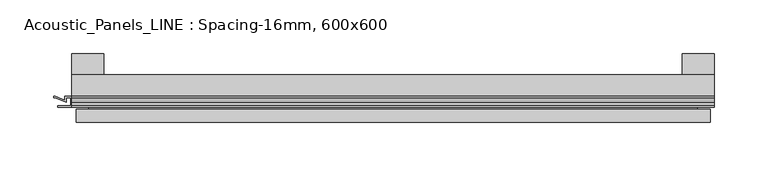
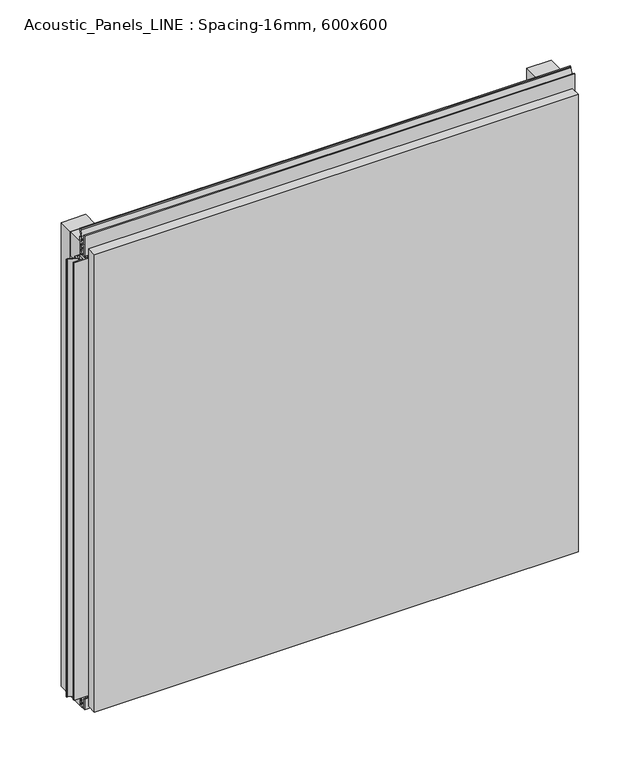
"""IFC4 building model written with IfcOpenShell, lengths in millimetres: plate geometry, Acoustic_Panels_LINE : Spacing-16mm, 600x600."""

from ifc_helpers import new_model, si_unit, frame, origin, origin_with_axes, place, context, project, spatial, polyline, outline, extrude, faceted_brep, source, transform, mapped, element, save


def acoustic_panels_line_spacing_16mm_600x600_7f3c8e2c(model_context):
    return source(origin(), model_context, "Body", "SolidModel", [
        extrude(outline(polyline([(-300.0, -40.0), (-300.0, -20.0), (300.0, -20.0), (300.0, -40.0), (-300.0, -40.0)])), frame((0.0, 0.0, 570.0), z_axis=(0.0, 0.0, 1.0), x_axis=(1.0, 0.0, 0.0)), (0.0, 0.0, 1.0), 30.0),
        extrude(outline(polyline([(-300.0, -40.0), (-300.0, -20.0), (300.0, -20.0), (300.0, -40.0), (-300.0, -40.0)])), origin_with_axes(), (0.0, 0.0, 1.0), 30.0),
        extrude(outline(polyline([(270.0, 0.0), (300.0, 0.0), (300.0, -20.0), (270.0, -20.0), (270.0, 0.0)])), origin_with_axes(), (0.0, 0.0, 1.0), 600.0),
        extrude(outline(polyline([(-270.0, 0.0), (-270.0, -20.0), (-300.0, -20.0), (-300.0, 0.0), (-270.0, 0.0)])), origin_with_axes(), (0.0, 0.0, 1.0), 600.0),
        extrude(outline(polyline([(-40.0, 6.299084), (-40.0, 0.0), (-50.1, 0.0), (-50.1, 13.4156807), (-48.7, 13.4156807), (-48.7, 1.4156807), (-41.4, 1.4156807), (-41.4, 4.899084), (-45.5140545, 4.899084), (-41.4553267, 15.5703394), (-41.4553267, 22.991548), (-40.0553267, 22.991548), (-40.0553267, 15.3558599), (-43.5, 6.299084), (-40.0, 6.299084)])), frame((-300.0, 0.0, 0.0), z_axis=(1.0, 0.0, 0.0), x_axis=(0.0, 1.0, 0.0)), (0.0, 0.0, 1.0), 600.0),
        extrude(outline(polyline([(293.700916, -40.0), (300.0, -40.0), (300.0, -50.1), (286.5843193, -50.1), (286.5843193, -48.7), (298.5843193, -48.7), (298.5843193, -41.4), (295.100916, -41.4), (295.100916, -45.5140545), (284.4296606, -41.4553267), (277.008452, -41.4553267), (277.008452, -40.0553267), (284.6441401, -40.0553267), (293.700916, -43.5), (293.700916, -40.0)])), frame((0.0, 0.0, 16.9558599), z_axis=(0.0, 0.0, 1.0), x_axis=(1.0, 0.0, 0.0)), (0.0, 0.0, 1.0), 566.0882802),
        extrude(outline(polyline([(-300.899084, -48.7), (-300.899084, -41.4), (-304.899084, -41.4), (-304.899084, -45.5140545), (-315.5703394, -41.4553267), (-316.9558599, -41.4553267), (-316.9558599, -40.0553267), (-315.3558599, -40.0553267), (-306.299084, -43.5), (-306.299084, -40.0), (-293.700916, -40.0), (-293.700916, -43.5), (-284.6441401, -40.0553267), (-283.0441401, -40.0553267), (-283.0441401, -41.4553267), (-284.4296606, -41.4553267), (-295.100916, -45.5140545), (-295.100916, -41.4), (-299.100916, -41.4), (-299.100916, -48.7), (-287.100916, -48.7), (-287.100916, -50.1), (-312.899084, -50.1), (-312.899084, -48.7), (-300.899084, -48.7)])), frame((0.0, 0.0, 16.9558599), z_axis=(0.0, 0.0, 1.0), x_axis=(1.0, 0.0, 0.0)), (0.0, 0.0, 1.0), 566.0882802),
        extrude(outline(polyline([(-48.7, 600.899084), (-41.4, 600.899084), (-41.4, 604.899084), (-45.5140545, 604.899084), (-41.4553267, 615.5703394), (-41.4553267, 616.9558599), (-40.0553267, 616.9558599), (-40.0553267, 615.3558599), (-43.5, 606.299084), (-40.0, 606.299084), (-40.0, 593.700916), (-43.5, 593.700916), (-40.0553267, 584.6441401), (-40.0553267, 583.0441401), (-41.4553267, 583.0441401), (-41.4553267, 584.4296606), (-45.5140545, 595.100916), (-41.4, 595.100916), (-41.4, 599.100916), (-48.7, 599.100916), (-48.7, 587.100916), (-50.1, 587.100916), (-50.1, 612.899084), (-48.7, 612.899084), (-48.7, 600.899084)])), frame((-300.0, 0.0, 0.0), z_axis=(1.0, 0.0, 0.0), x_axis=(0.0, 1.0, 0.0)), (0.0, 0.0, 1.0), 600.0),
        faceted_brep([(296.0, -45.9, 596.0), (-296.0, -45.9, 596.0), (-296.0, -48.7, 596.0), (296.0, -48.7, 596.0), (-296.0, -63.9, 596.0), (296.0, -63.9, 596.0), (296.0, -51.9, 596.0), (-296.0, -51.9, 596.0), (-296.0, -45.9, 4.0), (296.0, -45.9, 4.0), (296.0, -48.7, 4.0), (-296.0, -48.7, 4.0), (296.0, -63.9, 4.0), (-296.0, -63.9, 4.0), (-296.0, -51.9, 4.0), (296.0, -51.9, 4.0), (284.0, -51.9, 584.0), (284.0, -51.9, 16.0), (284.0, -48.7, 16.0), (284.0, -48.7, 584.0), (-284.0, -51.9, 16.0), (-284.0, -48.7, 16.0), (-284.0, -51.9, 584.0), (-284.0, -48.7, 584.0)], [[[0, 1, 2, 3]], [[4, 5, 6, 7]], [[8, 9, 10, 11]], [[12, 13, 14, 15]], [[1, 0, 9, 8]], [[1, 8, 11, 2]], [[13, 4, 7, 14]], [[5, 4, 13, 12]], [[9, 0, 3, 10]], [[5, 12, 15, 6]], [[16, 17, 18, 19]], [[18, 17, 20, 21]], [[21, 20, 22, 23]], [[16, 19, 23, 22]], [[7, 6, 15, 14], [17, 16, 22, 20]], [[3, 2, 11, 10], [19, 18, 21, 23]]]),
    ])


if __name__ == "__main__":
    model = new_model("IFC4")
    model_context = context("Model", 3, world=origin())
    ifc_project = project(units=[si_unit("LENGTHUNIT", "METRE", prefix="MILLI")], contexts=[model_context])
    site = spatial("IfcSite", under=ifc_project)
    building = spatial("IfcBuilding", under=site)
    placement = place(None, origin())
    acoustic_panels_line_spacing_16mm_600x600_shape = acoustic_panels_line_spacing_16mm_600x600_7f3c8e2c(model_context)
    element("IfcPlate", 1, ObjectType="Acoustic_Panels_LINE : Spacing-16mm, 600x600", at=placement, inside=building, context=model_context, shape_type="MappedRepresentation", body=[
        mapped(acoustic_panels_line_spacing_16mm_600x600_shape, transform((0.0, 0.0, 0.0), x_axis=(1.0, 0.0, 0.0), y_axis=(0.0, 1.0, 0.0), z_axis=(0.0, 0.0, 1.0))),
    ])
    save(model, "model.ifc")
